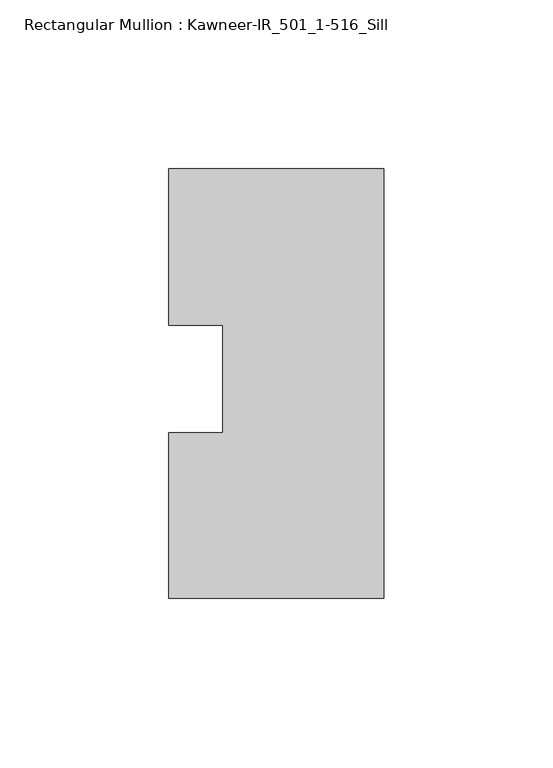
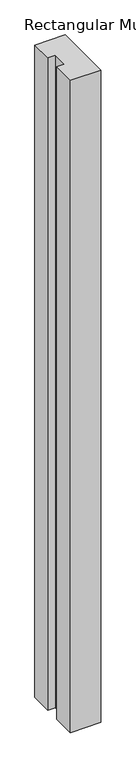
"""IFC4 building model written with IfcOpenShell, lengths in millimetres: member geometry, Rectangular Mullion : Kawneer-IR_501_1-516_Sill."""

from ifc_helpers import new_model, si_unit, frame, origin, place, context, project, spatial, polyline, outline, extrude, source, transform, mapped, element, save


def rectangular_mullion_kawneer_ir_501_1_516_sill_e22cdbbf(model_context):
    return source(origin(), model_context, "Body", "SweptSolid", [
        extrude(outline(polyline([(-63.5, -39.6875), (-63.5, 9.3110967), (-47.6250184, 9.3110967), (-47.6250184, 41.0610967), (-63.5, 41.0610967), (-63.5, 87.3125), (0.0, 87.3125), (0.0, -39.6875), (-63.5, -39.6875)])), frame((0.0, 0.0, -1432.9641364), z_axis=(0.0, 0.0, 1.0), x_axis=(1.0, 0.0, 0.0)), (0.0, 0.0, 1.0), 1432.9641364),
    ])


if __name__ == "__main__":
    model = new_model("IFC4")
    model_context = context("Model", 3, world=origin())
    ifc_project = project(units=[si_unit("LENGTHUNIT", "METRE", prefix="MILLI")], contexts=[model_context])
    site = spatial("IfcSite", under=ifc_project)
    building = spatial("IfcBuilding", under=site)
    placement = place(None, origin())
    rectangular_mullion_kawneer_ir_501_1_516_sill_shape = rectangular_mullion_kawneer_ir_501_1_516_sill_e22cdbbf(model_context)
    element("IfcMember", 1, ObjectType="Rectangular Mullion : Kawneer-IR_501_1-516_Sill", at=placement, inside=building, context=model_context, shape_type="MappedRepresentation", body=[
        mapped(rectangular_mullion_kawneer_ir_501_1_516_sill_shape, transform((0.0, 0.0, 0.0), x_axis=(1.0, 0.0, 0.0), y_axis=(0.0, 1.0, 0.0), z_axis=(0.0, 0.0, 1.0))),
    ])
    save(model, "model.ifc")
